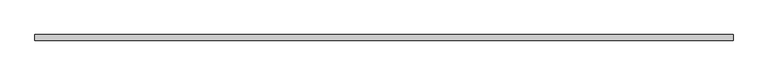
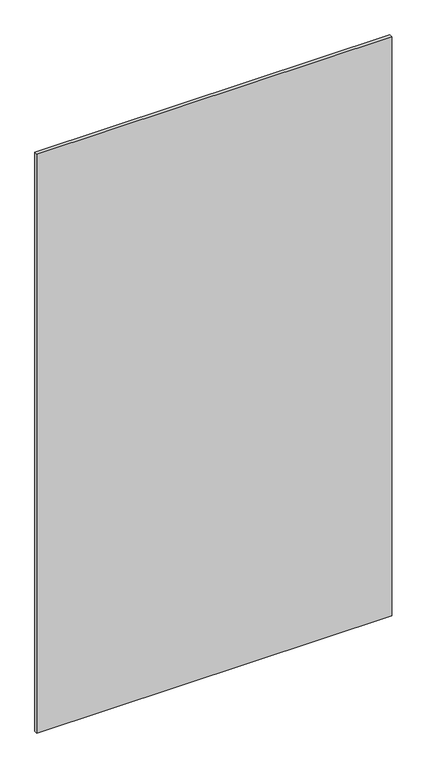
"""IFC4 building model written with IfcOpenShell, lengths in millimetres: plate geometry."""

from ifc_helpers import new_model, si_unit, origin, origin_with_axes, place, context, project, spatial, polyline, outline, extrude, source, transform, mapped, element, save


def plate_d4ef85c7(model_context):
    return source(origin(), model_context, "Body", "SweptSolid", [
        extrude(outline(polyline([(578.7863253, -10.0), (-578.7863253, -10.0), (-578.7863253, 0.0), (578.7863253, 0.0), (578.7863253, -10.0)])), origin_with_axes(), (0.0, 0.0, 1.0), 1995.978237),
    ])


if __name__ == "__main__":
    model = new_model("IFC4")
    model_context = context("Model", 3, world=origin())
    ifc_project = project(units=[si_unit("LENGTHUNIT", "METRE", prefix="MILLI")], contexts=[model_context])
    site = spatial("IfcSite", under=ifc_project)
    building = spatial("IfcBuilding", under=site)
    placement = place(None, origin())
    plate_shape = plate_d4ef85c7(model_context)
    element("IfcPlate", 1, at=placement, inside=building, context=model_context, shape_type="MappedRepresentation", body=[
        mapped(plate_shape, transform((0.0, 0.0, 0.0), x_axis=(1.0, 0.0, 0.0), y_axis=(0.0, 1.0, 0.0), z_axis=(0.0, 0.0, 1.0))),
    ])
    save(model, "model.ifc")
